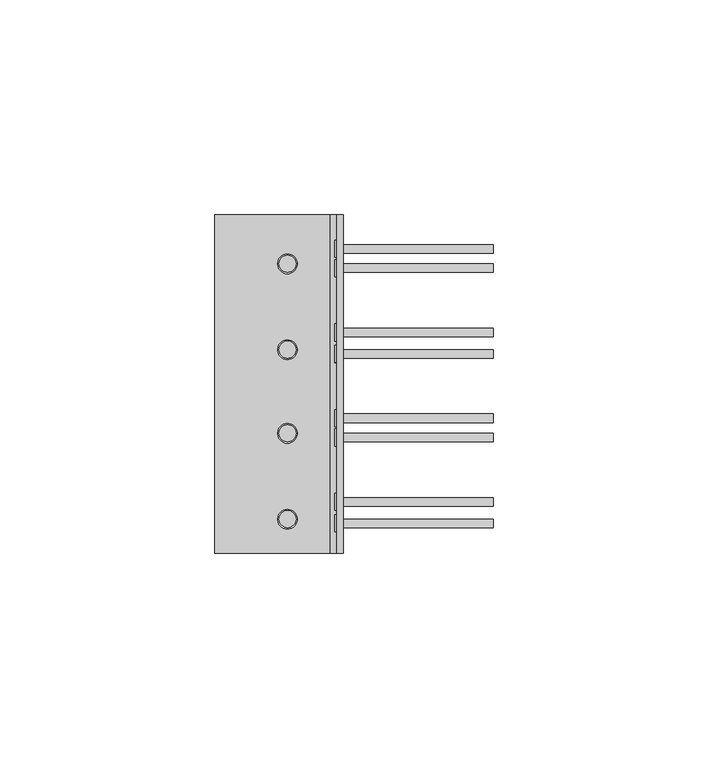
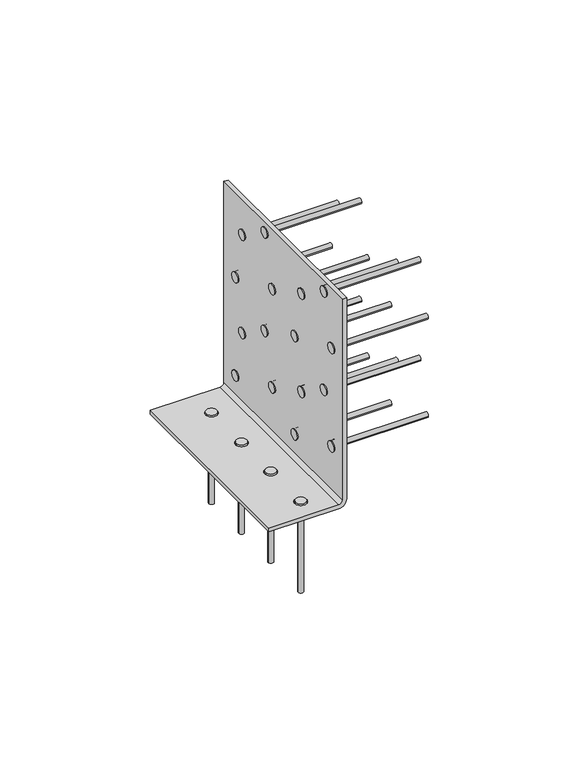
"""IFC4 building model written with IfcOpenShell, lengths in millimetres: proxy geometry."""

from ifc_helpers import new_model, si_unit, point, frame, frame_2d, origin, place, context, project, spatial, polyline, circle_curve, trimmed, segment, composite_curve, outline, extrude, source, transform, mapped, element, save
from ifc_brep_helpers import plane_surface, cylinder_surface, revolved_surface, advanced_brep


def generic_models_19bc1938(model_context):
    return source(origin(), model_context, "Body", "SolidModel", [
        advanced_brep(
        [(0.0, 79.0, 84.6986728), (0.0, 79.0, 3.0), (-3.0, 79.0, 0.0), (-30.0, 79.0, 0.0), (-30.0, 79.0, 1.55), (-3.0, 79.0, 1.55), (-1.55, 79.0, 3.0), (-1.55, 79.0, 84.6986728), (0.0, 0.0, 84.6986728), (-1.55, 0.0, 84.6986728), (-1.55, 0.0, 3.0), (-3.0, 0.0, 1.55), (-30.0, 0.0, 1.55), (-30.0, 0.0, 0.0), (-3.0, 0.0, 0.0), (0.0, 0.0, 3.0), (-1.55, 27.0, 72.5986728), (-1.55, 27.0, 68.7986728), (-1.55, 12.0, 82.5986728), (-1.55, 12.0, 78.7986728), (-1.55, 7.0, 62.5986728), (-1.55, 7.0, 58.7986728), (-1.55, 31.5, 52.5986728), (-1.55, 31.5, 48.7986728), (-1.55, 12.0, 42.5986728), (-1.55, 12.0, 38.7986728), (-1.55, 27.0, 32.5986728), (-1.55, 27.0, 28.7986728), (-1.55, 31.5, 12.5986728), (-1.55, 31.5, 8.7986728), (-1.55, 7.0, 22.5986728), (-1.55, 7.0, 18.7986728), (-1.55, 66.5, 72.5986728), (-1.55, 66.5, 68.7986728), (-1.55, 51.5, 82.5986728), (-1.55, 51.5, 78.7986728), (-1.55, 46.5, 62.5986728), (-1.55, 46.5, 58.7986728), (-1.55, 71.0, 52.5986728), (-1.55, 71.0, 48.7986728), (-1.55, 51.5, 42.5986728), (-1.55, 51.5, 38.7986728), (-1.55, 66.5, 32.5986728), (-1.55, 66.5, 28.7986728), (-1.55, 71.0, 12.5986728), (-1.55, 71.0, 8.7986728), (-1.55, 46.5, 22.5986728), (-1.55, 46.5, 18.7986728), (-13.0, 30.3, 1.55), (-13.0, 25.7, 1.55), (-13.0, 10.3, 1.55), (-13.0, 5.7, 1.55), (-13.0, 69.8, 1.55), (-13.0, 65.2, 1.55), (-13.0, 49.8, 1.55), (-13.0, 45.2, 1.55), (-13.0, 25.7, 0.0), (-13.0, 30.3, 0.0), (-13.0, 5.7, 0.0), (-13.0, 10.3, 0.0), (-13.0, 65.2, 0.0), (-13.0, 69.8, 0.0), (-13.0, 45.2, 0.0), (-13.0, 49.8, 0.0), (0.0, 27.0, 68.7986728), (0.0, 27.0, 72.5986728), (0.0, 12.0, 78.7986728), (0.0, 12.0, 82.5986728), (0.0, 7.0, 58.7986728), (0.0, 7.0, 62.5986728), (0.0, 31.5, 48.7986728), (0.0, 31.5, 52.5986728), (0.0, 12.0, 38.7986728), (0.0, 12.0, 42.5986728), (0.0, 27.0, 28.7986728), (0.0, 27.0, 32.5986728), (0.0, 31.5, 8.7986728), (0.0, 31.5, 12.5986728), (0.0, 7.0, 18.7986728), (0.0, 7.0, 22.5986728), (0.0, 66.5, 68.7986728), (0.0, 66.5, 72.5986728), (0.0, 51.5, 78.7986728), (0.0, 51.5, 82.5986728), (0.0, 46.5, 58.7986728), (0.0, 46.5, 62.5986728), (0.0, 71.0, 48.7986728), (0.0, 71.0, 52.5986728), (0.0, 51.5, 38.7986728), (0.0, 51.5, 42.5986728), (0.0, 66.5, 28.7986728), (0.0, 66.5, 32.5986728), (0.0, 71.0, 8.7986728), (0.0, 71.0, 12.5986728), (0.0, 46.5, 18.7986728), (0.0, 46.5, 22.5986728)],
        [
            (0, 1),
            (1, 2, circle_curve(frame((-3.0, 79.0, 3.0), z_axis=(0.0, 1.0, 0.0), x_axis=(1.0, 0.0, 0.0)), 3.0)),
            (2, 3),
            (3, 4),
            (4, 5),
            (5, 6, circle_curve(frame((-3.0, 79.0, 3.0), z_axis=(0.0, -1.0, 0.0), x_axis=(1.0, 0.0, 0.0)), 1.45)),
            (6, 7),
            (7, 0),
            (8, 9),
            (9, 10),
            (10, 11, circle_curve(frame((-3.0, 0.0, 3.0), z_axis=(0.0, 1.0, 0.0), x_axis=(1.0, 0.0, 0.0)), 1.45)),
            (11, 12),
            (12, 13),
            (13, 14),
            (14, 15, circle_curve(frame((-3.0, 0.0, 3.0), z_axis=(0.0, -1.0, 0.0), x_axis=(1.0, 0.0, 0.0)), 3.0)),
            (15, 8),
            (7, 9),
            (8, 0),
            (6, 10),
            (16, 17, circle_curve(frame((-1.55, 27.0, 70.6986728), z_axis=(1.0, 0.0, 0.0), x_axis=(0.0, 0.0, -1.0)), 1.9)),
            (17, 16, circle_curve(frame((-1.55, 27.0, 70.6986728), z_axis=(1.0, 0.0, 0.0), x_axis=(0.0, 0.0, -1.0)), 1.9)),
            (18, 19, circle_curve(frame((-1.55, 12.0, 80.6986728), z_axis=(1.0, 0.0, 0.0), x_axis=(0.0, 0.0, -1.0)), 1.9)),
            (19, 18, circle_curve(frame((-1.55, 12.0, 80.6986728), z_axis=(1.0, 0.0, 0.0), x_axis=(0.0, 0.0, -1.0)), 1.9)),
            (20, 21, circle_curve(frame((-1.55, 7.0, 60.6986728), z_axis=(1.0, 0.0, 0.0), x_axis=(0.0, 0.0, -1.0)), 1.9)),
            (21, 20, circle_curve(frame((-1.55, 7.0, 60.6986728), z_axis=(1.0, 0.0, 0.0), x_axis=(0.0, 0.0, -1.0)), 1.9)),
            (22, 23, circle_curve(frame((-1.55, 31.5, 50.6986728), z_axis=(1.0, 0.0, 0.0), x_axis=(0.0, 0.0, -1.0)), 1.9)),
            (23, 22, circle_curve(frame((-1.55, 31.5, 50.6986728), z_axis=(1.0, 0.0, 0.0), x_axis=(0.0, 0.0, -1.0)), 1.9)),
            (24, 25, circle_curve(frame((-1.55, 12.0, 40.6986728), z_axis=(1.0, 0.0, 0.0), x_axis=(0.0, 0.0, -1.0)), 1.9)),
            (25, 24, circle_curve(frame((-1.55, 12.0, 40.6986728), z_axis=(1.0, 0.0, 0.0), x_axis=(0.0, 0.0, -1.0)), 1.9)),
            (26, 27, circle_curve(frame((-1.55, 27.0, 30.6986728), z_axis=(1.0, 0.0, 0.0), x_axis=(0.0, 0.0, -1.0)), 1.9)),
            (27, 26, circle_curve(frame((-1.55, 27.0, 30.6986728), z_axis=(1.0, 0.0, 0.0), x_axis=(0.0, 0.0, -1.0)), 1.9)),
            (28, 29, circle_curve(frame((-1.55, 31.5, 10.6986728), z_axis=(1.0, 0.0, 0.0), x_axis=(0.0, 0.0, -1.0)), 1.9)),
            (29, 28, circle_curve(frame((-1.55, 31.5, 10.6986728), z_axis=(1.0, 0.0, 0.0), x_axis=(0.0, 0.0, -1.0)), 1.9)),
            (30, 31, circle_curve(frame((-1.55, 7.0, 20.6986728), z_axis=(1.0, 0.0, 0.0), x_axis=(0.0, 0.0, -1.0)), 1.9)),
            (31, 30, circle_curve(frame((-1.55, 7.0, 20.6986728), z_axis=(1.0, 0.0, 0.0), x_axis=(0.0, 0.0, -1.0)), 1.9)),
            (32, 33, circle_curve(frame((-1.55, 66.5, 70.6986728), z_axis=(1.0, 0.0, 0.0), x_axis=(0.0, 0.0, -1.0)), 1.9)),
            (33, 32, circle_curve(frame((-1.55, 66.5, 70.6986728), z_axis=(1.0, 0.0, 0.0), x_axis=(0.0, 0.0, -1.0)), 1.9)),
            (34, 35, circle_curve(frame((-1.55, 51.5, 80.6986728), z_axis=(1.0, 0.0, 0.0), x_axis=(0.0, 0.0, -1.0)), 1.9)),
            (35, 34, circle_curve(frame((-1.55, 51.5, 80.6986728), z_axis=(1.0, 0.0, 0.0), x_axis=(0.0, 0.0, -1.0)), 1.9)),
            (36, 37, circle_curve(frame((-1.55, 46.5, 60.6986728), z_axis=(1.0, 0.0, 0.0), x_axis=(0.0, 0.0, -1.0)), 1.9)),
            (37, 36, circle_curve(frame((-1.55, 46.5, 60.6986728), z_axis=(1.0, 0.0, 0.0), x_axis=(0.0, 0.0, -1.0)), 1.9)),
            (38, 39, circle_curve(frame((-1.55, 71.0, 50.6986728), z_axis=(1.0, 0.0, 0.0), x_axis=(0.0, 0.0, -1.0)), 1.9)),
            (39, 38, circle_curve(frame((-1.55, 71.0, 50.6986728), z_axis=(1.0, 0.0, 0.0), x_axis=(0.0, 0.0, -1.0)), 1.9)),
            (40, 41, circle_curve(frame((-1.55, 51.5, 40.6986728), z_axis=(1.0, 0.0, 0.0), x_axis=(0.0, 0.0, -1.0)), 1.9)),
            (41, 40, circle_curve(frame((-1.55, 51.5, 40.6986728), z_axis=(1.0, 0.0, 0.0), x_axis=(0.0, 0.0, -1.0)), 1.9)),
            (42, 43, circle_curve(frame((-1.55, 66.5, 30.6986728), z_axis=(1.0, 0.0, 0.0), x_axis=(0.0, 0.0, -1.0)), 1.9)),
            (43, 42, circle_curve(frame((-1.55, 66.5, 30.6986728), z_axis=(1.0, 0.0, 0.0), x_axis=(0.0, 0.0, -1.0)), 1.9)),
            (44, 45, circle_curve(frame((-1.55, 71.0, 10.6986728), z_axis=(1.0, 0.0, 0.0), x_axis=(0.0, 0.0, -1.0)), 1.9)),
            (45, 44, circle_curve(frame((-1.55, 71.0, 10.6986728), z_axis=(1.0, 0.0, 0.0), x_axis=(0.0, 0.0, -1.0)), 1.9)),
            (46, 47, circle_curve(frame((-1.55, 46.5, 20.6986728), z_axis=(1.0, 0.0, 0.0), x_axis=(0.0, 0.0, -1.0)), 1.9)),
            (47, 46, circle_curve(frame((-1.55, 46.5, 20.6986728), z_axis=(1.0, 0.0, 0.0), x_axis=(0.0, 0.0, -1.0)), 1.9)),
            (5, 11),
            (4, 12),
            (48, 49, circle_curve(frame((-13.0, 28.0, 1.55), z_axis=(0.0, 0.0, -1.0), x_axis=(0.0, -1.0, 0.0)), 2.3)),
            (49, 48, circle_curve(frame((-13.0, 28.0, 1.55), z_axis=(0.0, 0.0, -1.0), x_axis=(0.0, -1.0, 0.0)), 2.3)),
            (50, 51, circle_curve(frame((-13.0, 8.0, 1.55), z_axis=(0.0, 0.0, -1.0), x_axis=(0.0, -1.0, 0.0)), 2.3)),
            (51, 50, circle_curve(frame((-13.0, 8.0, 1.55), z_axis=(0.0, 0.0, -1.0), x_axis=(0.0, -1.0, 0.0)), 2.3)),
            (52, 53, circle_curve(frame((-13.0, 67.5, 1.55), z_axis=(0.0, 0.0, -1.0), x_axis=(0.0, -1.0, 0.0)), 2.3)),
            (53, 52, circle_curve(frame((-13.0, 67.5, 1.55), z_axis=(0.0, 0.0, -1.0), x_axis=(0.0, -1.0, 0.0)), 2.3)),
            (54, 55, circle_curve(frame((-13.0, 47.5, 1.55), z_axis=(0.0, 0.0, -1.0), x_axis=(0.0, -1.0, 0.0)), 2.3)),
            (55, 54, circle_curve(frame((-13.0, 47.5, 1.55), z_axis=(0.0, 0.0, -1.0), x_axis=(0.0, -1.0, 0.0)), 2.3)),
            (3, 13),
            (2, 14),
            (56, 57, circle_curve(frame((-13.0, 28.0, 0.0), z_axis=(0.0, 0.0, 1.0), x_axis=(0.0, -1.0, 0.0)), 2.3)),
            (57, 56, circle_curve(frame((-13.0, 28.0, 0.0), z_axis=(0.0, 0.0, 1.0), x_axis=(0.0, -1.0, 0.0)), 2.3)),
            (58, 59, circle_curve(frame((-13.0, 8.0, 0.0), z_axis=(0.0, 0.0, 1.0), x_axis=(0.0, -1.0, 0.0)), 2.3)),
            (59, 58, circle_curve(frame((-13.0, 8.0, 0.0), z_axis=(0.0, 0.0, 1.0), x_axis=(0.0, -1.0, 0.0)), 2.3)),
            (60, 61, circle_curve(frame((-13.0, 67.5, 0.0), z_axis=(0.0, 0.0, 1.0), x_axis=(0.0, -1.0, 0.0)), 2.3)),
            (61, 60, circle_curve(frame((-13.0, 67.5, 0.0), z_axis=(0.0, 0.0, 1.0), x_axis=(0.0, -1.0, 0.0)), 2.3)),
            (62, 63, circle_curve(frame((-13.0, 47.5, 0.0), z_axis=(0.0, 0.0, 1.0), x_axis=(0.0, -1.0, 0.0)), 2.3)),
            (63, 62, circle_curve(frame((-13.0, 47.5, 0.0), z_axis=(0.0, 0.0, 1.0), x_axis=(0.0, -1.0, 0.0)), 2.3)),
            (1, 15),
            (64, 65, circle_curve(frame((0.0, 27.0, 70.6986728), z_axis=(-1.0, 0.0, 0.0), x_axis=(0.0, 0.0, -1.0)), 1.9)),
            (65, 64, circle_curve(frame((0.0, 27.0, 70.6986728), z_axis=(-1.0, 0.0, 0.0), x_axis=(0.0, 0.0, -1.0)), 1.9)),
            (66, 67, circle_curve(frame((0.0, 12.0, 80.6986728), z_axis=(-1.0, 0.0, 0.0), x_axis=(0.0, 0.0, -1.0)), 1.9)),
            (67, 66, circle_curve(frame((0.0, 12.0, 80.6986728), z_axis=(-1.0, 0.0, 0.0), x_axis=(0.0, 0.0, -1.0)), 1.9)),
            (68, 69, circle_curve(frame((0.0, 7.0, 60.6986728), z_axis=(-1.0, 0.0, 0.0), x_axis=(0.0, 0.0, -1.0)), 1.9)),
            (69, 68, circle_curve(frame((0.0, 7.0, 60.6986728), z_axis=(-1.0, 0.0, 0.0), x_axis=(0.0, 0.0, -1.0)), 1.9)),
            (70, 71, circle_curve(frame((0.0, 31.5, 50.6986728), z_axis=(-1.0, 0.0, 0.0), x_axis=(0.0, 0.0, -1.0)), 1.9)),
            (71, 70, circle_curve(frame((0.0, 31.5, 50.6986728), z_axis=(-1.0, 0.0, 0.0), x_axis=(0.0, 0.0, -1.0)), 1.9)),
            (72, 73, circle_curve(frame((0.0, 12.0, 40.6986728), z_axis=(-1.0, 0.0, 0.0), x_axis=(0.0, 0.0, -1.0)), 1.9)),
            (73, 72, circle_curve(frame((0.0, 12.0, 40.6986728), z_axis=(-1.0, 0.0, 0.0), x_axis=(0.0, 0.0, -1.0)), 1.9)),
            (74, 75, circle_curve(frame((0.0, 27.0, 30.6986728), z_axis=(-1.0, 0.0, 0.0), x_axis=(0.0, 0.0, -1.0)), 1.9)),
            (75, 74, circle_curve(frame((0.0, 27.0, 30.6986728), z_axis=(-1.0, 0.0, 0.0), x_axis=(0.0, 0.0, -1.0)), 1.9)),
            (76, 77, circle_curve(frame((0.0, 31.5, 10.6986728), z_axis=(-1.0, 0.0, 0.0), x_axis=(0.0, 0.0, -1.0)), 1.9)),
            (77, 76, circle_curve(frame((0.0, 31.5, 10.6986728), z_axis=(-1.0, 0.0, 0.0), x_axis=(0.0, 0.0, -1.0)), 1.9)),
            (78, 79, circle_curve(frame((0.0, 7.0, 20.6986728), z_axis=(-1.0, 0.0, 0.0), x_axis=(0.0, 0.0, -1.0)), 1.9)),
            (79, 78, circle_curve(frame((0.0, 7.0, 20.6986728), z_axis=(-1.0, 0.0, 0.0), x_axis=(0.0, 0.0, -1.0)), 1.9)),
            (80, 81, circle_curve(frame((0.0, 66.5, 70.6986728), z_axis=(-1.0, 0.0, 0.0), x_axis=(0.0, 0.0, -1.0)), 1.9)),
            (81, 80, circle_curve(frame((0.0, 66.5, 70.6986728), z_axis=(-1.0, 0.0, 0.0), x_axis=(0.0, 0.0, -1.0)), 1.9)),
            (82, 83, circle_curve(frame((0.0, 51.5, 80.6986728), z_axis=(-1.0, 0.0, 0.0), x_axis=(0.0, 0.0, -1.0)), 1.9)),
            (83, 82, circle_curve(frame((0.0, 51.5, 80.6986728), z_axis=(-1.0, 0.0, 0.0), x_axis=(0.0, 0.0, -1.0)), 1.9)),
            (84, 85, circle_curve(frame((0.0, 46.5, 60.6986728), z_axis=(-1.0, 0.0, 0.0), x_axis=(0.0, 0.0, -1.0)), 1.9)),
            (85, 84, circle_curve(frame((0.0, 46.5, 60.6986728), z_axis=(-1.0, 0.0, 0.0), x_axis=(0.0, 0.0, -1.0)), 1.9)),
            (86, 87, circle_curve(frame((0.0, 71.0, 50.6986728), z_axis=(-1.0, 0.0, 0.0), x_axis=(0.0, 0.0, -1.0)), 1.9)),
            (87, 86, circle_curve(frame((0.0, 71.0, 50.6986728), z_axis=(-1.0, 0.0, 0.0), x_axis=(0.0, 0.0, -1.0)), 1.9)),
            (88, 89, circle_curve(frame((0.0, 51.5, 40.6986728), z_axis=(-1.0, 0.0, 0.0), x_axis=(0.0, 0.0, -1.0)), 1.9)),
            (89, 88, circle_curve(frame((0.0, 51.5, 40.6986728), z_axis=(-1.0, 0.0, 0.0), x_axis=(0.0, 0.0, -1.0)), 1.9)),
            (90, 91, circle_curve(frame((0.0, 66.5, 30.6986728), z_axis=(-1.0, 0.0, 0.0), x_axis=(0.0, 0.0, -1.0)), 1.9)),
            (91, 90, circle_curve(frame((0.0, 66.5, 30.6986728), z_axis=(-1.0, 0.0, 0.0), x_axis=(0.0, 0.0, -1.0)), 1.9)),
            (92, 93, circle_curve(frame((0.0, 71.0, 10.6986728), z_axis=(-1.0, 0.0, 0.0), x_axis=(0.0, 0.0, -1.0)), 1.9)),
            (93, 92, circle_curve(frame((0.0, 71.0, 10.6986728), z_axis=(-1.0, 0.0, 0.0), x_axis=(0.0, 0.0, -1.0)), 1.9)),
            (94, 95, circle_curve(frame((0.0, 46.5, 20.6986728), z_axis=(-1.0, 0.0, 0.0), x_axis=(0.0, 0.0, -1.0)), 1.9)),
            (95, 94, circle_curve(frame((0.0, 46.5, 20.6986728), z_axis=(-1.0, 0.0, 0.0), x_axis=(0.0, 0.0, -1.0)), 1.9)),
            (17, 64),
            (65, 16),
            (19, 66),
            (67, 18),
            (21, 68),
            (69, 20),
            (23, 70),
            (71, 22),
            (25, 72),
            (73, 24),
            (27, 74),
            (75, 26),
            (29, 76),
            (77, 28),
            (31, 78),
            (79, 30),
            (49, 56),
            (57, 48),
            (51, 58),
            (59, 50),
            (33, 80),
            (81, 32),
            (35, 82),
            (83, 34),
            (37, 84),
            (85, 36),
            (39, 86),
            (87, 38),
            (41, 88),
            (89, 40),
            (43, 90),
            (91, 42),
            (45, 92),
            (93, 44),
            (47, 94),
            (95, 46),
            (53, 60),
            (61, 52),
            (55, 62),
            (63, 54),
        ],
        [
            plane_surface(frame((-1.55, 79.0, 84.6986728), z_axis=(0.0, 1.0, 0.0), x_axis=(-1.0, 0.0, 0.0))),
            plane_surface(frame((-1.55, 0.0, 84.6986728), z_axis=(0.0, -1.0, 0.0), x_axis=(1.0, 0.0, 0.0))),
            plane_surface(frame((0.0, 79.0, 84.6986728), z_axis=(0.0, 0.0, 1.0), x_axis=(0.0, -1.0, 0.0))),
            plane_surface(frame((-1.55, 79.0, 84.6986728), z_axis=(-1.0, 0.0, 0.0), x_axis=(0.0, -1.0, 0.0))),
            revolved_surface(polyline([(-1.55, 0.0, 3.0), (-1.55, 79.0, 3.0)]), (-3.0, 0.0, 3.0), (0.0, -1.0, 0.0)),
            plane_surface(frame((-3.0, 79.0, 1.55), z_axis=(0.0, 0.0, 1.0), x_axis=(0.0, -1.0, 0.0))),
            plane_surface(frame((-30.0, 79.0, 1.55), z_axis=(-1.0, 0.0, 0.0), x_axis=(0.0, -1.0, 0.0))),
            plane_surface(frame((-30.0, 79.0, 0.0), z_axis=(0.0, 0.0, -1.0), x_axis=(0.0, -1.0, 0.0))),
            cylinder_surface(frame((-3.0, 0.0, 3.0), z_axis=(0.0, 1.0, 0.0), x_axis=(1.0, 0.0, 0.0)), 3.0),
            plane_surface(frame((0.0, 79.0, 3.0), z_axis=(1.0, 0.0, 0.0), x_axis=(0.0, -1.0, 0.0))),
            revolved_surface(polyline([(0.0, 27.0, 68.79867279999999), (-1.5499999999999998, 27.0, 68.79867279999999)]), (-6.55, 27.0, 70.6986728), (1.0, 0.0, 0.0)),
            revolved_surface(polyline([(0.0, 12.0, 78.79867279999999), (-1.55, 12.0, 78.79867279999999)]), (-1.55, 12.0, 80.6986728), (1.0, 0.0, 0.0)),
            revolved_surface(polyline([(0.0, 7.0, 58.7986728), (-1.55, 7.0, 58.7986728)]), (-1.55, 7.0, 60.6986728), (1.0, 0.0, 0.0)),
            revolved_surface(polyline([(0.0, 31.5, 48.7986728), (-1.55, 31.5, 48.7986728)]), (-1.55, 31.5, 50.6986728), (1.0, 0.0, 0.0)),
            revolved_surface(polyline([(0.0, 12.0, 38.7986728), (-1.55, 12.0, 38.7986728)]), (-1.55, 12.0, 40.6986728), (1.0, 0.0, 0.0)),
            revolved_surface(polyline([(0.0, 27.0, 28.798672800000002), (-1.55, 27.0, 28.798672800000002)]), (-1.55, 27.0, 30.6986728), (1.0, 0.0, 0.0)),
            revolved_surface(polyline([(0.0, 31.5, 8.7986728), (-1.55, 31.5, 8.7986728)]), (-1.55, 31.5, 10.6986728), (1.0, 0.0, 0.0)),
            revolved_surface(polyline([(0.0, 7.0, 18.798672800000002), (-1.55, 7.0, 18.798672800000002)]), (-1.55, 7.0, 20.6986728), (1.0, 0.0, 0.0)),
            revolved_surface(polyline([(-13.0, 25.7, 0.0), (-13.0, 25.7, 1.5499999999999998)]), (-13.0, 28.0, 6.55), (0.0, 0.0, -1.0)),
            revolved_surface(polyline([(-13.0, 5.7, 0.0), (-13.0, 5.7, 1.55)]), (-13.0, 8.0, 1.55), (0.0, 0.0, -1.0)),
            revolved_surface(polyline([(0.0, 66.5, 68.79867279999999), (-1.55, 66.5, 68.79867279999999)]), (-1.55, 66.5, 70.6986728), (1.0, 0.0, 0.0)),
            revolved_surface(polyline([(0.0, 51.5, 78.79867279999999), (-1.55, 51.5, 78.79867279999999)]), (-1.55, 51.5, 80.6986728), (1.0, 0.0, 0.0)),
            revolved_surface(polyline([(0.0, 46.5, 58.7986728), (-1.55, 46.5, 58.7986728)]), (-1.55, 46.5, 60.6986728), (1.0, 0.0, 0.0)),
            revolved_surface(polyline([(0.0, 71.0, 48.7986728), (-1.55, 71.0, 48.7986728)]), (-1.55, 71.0, 50.6986728), (1.0, 0.0, 0.0)),
            revolved_surface(polyline([(0.0, 51.5, 38.7986728), (-1.55, 51.5, 38.7986728)]), (-1.55, 51.5, 40.6986728), (1.0, 0.0, 0.0)),
            revolved_surface(polyline([(0.0, 66.5, 28.798672800000002), (-1.55, 66.5, 28.798672800000002)]), (-1.55, 66.5, 30.6986728), (1.0, 0.0, 0.0)),
            revolved_surface(polyline([(0.0, 71.0, 8.7986728), (-1.55, 71.0, 8.7986728)]), (-1.55, 71.0, 10.6986728), (1.0, 0.0, 0.0)),
            revolved_surface(polyline([(0.0, 46.5, 18.798672800000002), (-1.55, 46.5, 18.798672800000002)]), (-1.55, 46.5, 20.6986728), (1.0, 0.0, 0.0)),
            revolved_surface(polyline([(-13.0, 65.2, 0.0), (-13.0, 65.2, 1.55)]), (-13.0, 67.5, 1.55), (0.0, 0.0, -1.0)),
            revolved_surface(polyline([(-13.0, 45.2, 0.0), (-13.0, 45.2, 1.55)]), (-13.0, 47.5, 1.55), (0.0, 0.0, -1.0)),
        ],
        [
            (0, [[1, 2, 3, 4, 5, 6, 7, 8]]),
            (1, [[9, 10, 11, 12, 13, 14, 15, 16]]),
            (2, [[17, -9, 18, -8]]),
            (3, [[19, -10, -17, -7], [20, 21], [22, 23], [24, 25], [26, 27], [28, 29], [30, 31], [32, 33], [34, 35], [36, 37], [38, 39], [40, 41], [42, 43], [44, 45], [46, 47], [48, 49], [50, 51]]),
            (4, [[52, -11, -19, -6]]),
            (5, [[53, -12, -52, -5], [54, 55], [56, 57], [58, 59], [60, 61]]),
            (6, [[62, -13, -53, -4]]),
            (7, [[63, -14, -62, -3], [64, 65], [66, 67], [68, 69], [70, 71]]),
            (8, [[72, -15, -63, -2]]),
            (9, [[-18, -16, -72, -1], [73, 74], [75, 76], [77, 78], [79, 80], [81, 82], [83, 84], [85, 86], [87, 88], [89, 90], [91, 92], [93, 94], [95, 96], [97, 98], [99, 100], [101, 102], [103, 104]]),
            (10, [[-21, 105, -74, 106]]),
            (10, [[-73, -105, -20, -106]]),
            (11, [[-23, 107, -76, 108]]),
            (11, [[-75, -107, -22, -108]]),
            (12, [[-25, 109, -78, 110]]),
            (12, [[-77, -109, -24, -110]]),
            (13, [[-27, 111, -80, 112]]),
            (13, [[-79, -111, -26, -112]]),
            (14, [[-29, 113, -82, 114]]),
            (14, [[-81, -113, -28, -114]]),
            (15, [[-31, 115, -84, 116]]),
            (15, [[-83, -115, -30, -116]]),
            (16, [[-33, 117, -86, 118]]),
            (16, [[-85, -117, -32, -118]]),
            (17, [[-35, 119, -88, 120]]),
            (17, [[-87, -119, -34, -120]]),
            (18, [[-55, 121, -65, 122]]),
            (18, [[-64, -121, -54, -122]]),
            (19, [[-57, 123, -67, 124]]),
            (19, [[-66, -123, -56, -124]]),
            (20, [[-37, 125, -90, 126]]),
            (20, [[-89, -125, -36, -126]]),
            (21, [[-39, 127, -92, 128]]),
            (21, [[-91, -127, -38, -128]]),
            (22, [[-41, 129, -94, 130]]),
            (22, [[-93, -129, -40, -130]]),
            (23, [[-43, 131, -96, 132]]),
            (23, [[-95, -131, -42, -132]]),
            (24, [[-45, 133, -98, 134]]),
            (24, [[-97, -133, -44, -134]]),
            (25, [[-47, 135, -100, 136]]),
            (25, [[-99, -135, -46, -136]]),
            (26, [[-49, 137, -102, 138]]),
            (26, [[-101, -137, -48, -138]]),
            (27, [[-51, 139, -104, 140]]),
            (27, [[-103, -139, -50, -140]]),
            (28, [[-59, 141, -69, 142]]),
            (28, [[-68, -141, -58, -142]]),
            (29, [[-61, 143, -71, 144]]),
            (29, [[-70, -143, -60, -144]]),
        ],
    ),
        extrude(outline(composite_curve([segment(trimmed(circle_curve(frame_2d((-12.9911965, 8.0208754)), 1.0), [point((-13.9911965, 8.0208754))], [point((-11.9911965, 8.0208754))], False, "CARTESIAN"), True, "CONTINUOUS"), segment(trimmed(circle_curve(frame_2d((-12.9911965, 8.0208754)), 1.0), [point((-11.9911965, 8.0208754))], [point((-13.9911965, 8.0208754))], False, "CARTESIAN"), True, "CONTINUOUS")], self_intersect=False)), frame((0.0, 0.0, -35.0), z_axis=(0.0, 0.0, 1.0), x_axis=(1.0, 0.0, 0.0)), (0.0, 0.0, 1.0), 36.0),
        extrude(outline(composite_curve([segment(trimmed(circle_curve(frame_2d((-12.9911965, 28.0208754)), 1.0), [point((-13.9911965, 28.0208754))], [point((-11.9911965, 28.0208754))], False, "CARTESIAN"), True, "CONTINUOUS"), segment(trimmed(circle_curve(frame_2d((-12.9911965, 28.0208754)), 1.0), [point((-11.9911965, 28.0208754))], [point((-13.9911965, 28.0208754))], False, "CARTESIAN"), True, "CONTINUOUS")], self_intersect=False)), frame((0.0, 0.0, -35.0), z_axis=(0.0, 0.0, 1.0), x_axis=(1.0, 0.0, 0.0)), (0.0, 0.0, 1.0), 36.0),
        extrude(outline(composite_curve([segment(trimmed(circle_curve(frame_2d((-12.9911965, 47.5208754)), 1.0), [point((-13.9911965, 47.5208754))], [point((-11.9911965, 47.5208754))], False, "CARTESIAN"), True, "CONTINUOUS"), segment(trimmed(circle_curve(frame_2d((-12.9911965, 47.5208754)), 1.0), [point((-11.9911965, 47.5208754))], [point((-13.9911965, 47.5208754))], False, "CARTESIAN"), True, "CONTINUOUS")], self_intersect=False)), frame((0.0, 0.0, -35.0), z_axis=(0.0, 0.0, 1.0), x_axis=(1.0, 0.0, 0.0)), (0.0, 0.0, 1.0), 36.0),
        extrude(outline(composite_curve([segment(trimmed(circle_curve(frame_2d((-12.9911965, 67.5208754)), 1.0), [point((-13.9911965, 67.5208754))], [point((-11.9911965, 67.5208754))], False, "CARTESIAN"), True, "CONTINUOUS"), segment(trimmed(circle_curve(frame_2d((-12.9911965, 67.5208754)), 1.0), [point((-11.9911965, 67.5208754))], [point((-13.9911965, 67.5208754))], False, "CARTESIAN"), True, "CONTINUOUS")], self_intersect=False)), frame((0.0, 0.0, -35.0), z_axis=(0.0, 0.0, 1.0), x_axis=(1.0, 0.0, 0.0)), (0.0, 0.0, 1.0), 36.0),
        extrude(outline(composite_curve([segment(trimmed(circle_curve(frame_2d((-12.9911965, 8.0208754)), 2.0), [point((-14.9911965, 8.0208754))], [point((-10.9911965, 8.0208754))], False, "CARTESIAN"), True, "CONTINUOUS"), segment(trimmed(circle_curve(frame_2d((-12.9911965, 8.0208754)), 2.0), [point((-10.9911965, 8.0208754))], [point((-14.9911965, 8.0208754))], False, "CARTESIAN"), True, "CONTINUOUS")], self_intersect=False)), frame((0.0, 0.0, 1.0), z_axis=(0.0, 0.0, 1.0), x_axis=(1.0, 0.0, 0.0)), (0.0, 0.0, 1.0), 1.0),
        extrude(outline(composite_curve([segment(trimmed(circle_curve(frame_2d((-12.9911965, 28.0208754)), 2.0), [point((-14.9911965, 28.0208754))], [point((-10.9911965, 28.0208754))], False, "CARTESIAN"), True, "CONTINUOUS"), segment(trimmed(circle_curve(frame_2d((-12.9911965, 28.0208754)), 2.0), [point((-10.9911965, 28.0208754))], [point((-14.9911965, 28.0208754))], False, "CARTESIAN"), True, "CONTINUOUS")], self_intersect=False)), frame((0.0, 0.0, 1.0), z_axis=(0.0, 0.0, 1.0), x_axis=(1.0, 0.0, 0.0)), (0.0, 0.0, 1.0), 1.0),
        extrude(outline(composite_curve([segment(trimmed(circle_curve(frame_2d((-12.9911965, 47.5208754)), 2.0), [point((-14.9911965, 47.5208754))], [point((-10.9911965, 47.5208754))], False, "CARTESIAN"), True, "CONTINUOUS"), segment(trimmed(circle_curve(frame_2d((-12.9911965, 47.5208754)), 2.0), [point((-10.9911965, 47.5208754))], [point((-14.9911965, 47.5208754))], False, "CARTESIAN"), True, "CONTINUOUS")], self_intersect=False)), frame((0.0, 0.0, 1.0), z_axis=(0.0, 0.0, 1.0), x_axis=(1.0, 0.0, 0.0)), (0.0, 0.0, 1.0), 1.0),
        extrude(outline(composite_curve([segment(trimmed(circle_curve(frame_2d((-12.9911965, 67.5208754)), 2.0), [point((-14.9911965, 67.5208754))], [point((-10.9911965, 67.5208754))], False, "CARTESIAN"), True, "CONTINUOUS"), segment(trimmed(circle_curve(frame_2d((-12.9911965, 67.5208754)), 2.0), [point((-10.9911965, 67.5208754))], [point((-14.9911965, 67.5208754))], False, "CARTESIAN"), True, "CONTINUOUS")], self_intersect=False)), frame((0.0, 0.0, 1.0), z_axis=(0.0, 0.0, 1.0), x_axis=(1.0, 0.0, 0.0)), (0.0, 0.0, 1.0), 1.0),
        extrude(outline(composite_curve([segment(trimmed(circle_curve(frame_2d((27.0112781, 70.7052665)), 2.0), [point((25.0112781, 70.7052665))], [point((29.0112781, 70.7052665))], False, "CARTESIAN"), True, "CONTINUOUS"), segment(trimmed(circle_curve(frame_2d((27.0112781, 70.7052665)), 2.0), [point((29.0112781, 70.7052665))], [point((25.0112781, 70.7052665))], False, "CARTESIAN"), True, "CONTINUOUS")], self_intersect=False)), frame((-2.0, 0.0, 0.0), z_axis=(1.0, 0.0, 0.0), x_axis=(0.0, 1.0, 0.0)), (0.0, 0.0, 1.0), 1.0),
        extrude(outline(composite_curve([segment(trimmed(circle_curve(frame_2d((12.0112781, 80.7052665)), 2.0), [point((10.0112781, 80.7052665))], [point((14.0112781, 80.7052665))], False, "CARTESIAN"), True, "CONTINUOUS"), segment(trimmed(circle_curve(frame_2d((12.0112781, 80.7052665)), 2.0), [point((14.0112781, 80.7052665))], [point((10.0112781, 80.7052665))], False, "CARTESIAN"), True, "CONTINUOUS")], self_intersect=False)), frame((-2.0, 0.0, 0.0), z_axis=(1.0, 0.0, 0.0), x_axis=(0.0, 1.0, 0.0)), (0.0, 0.0, 1.0), 1.0),
        extrude(outline(composite_curve([segment(trimmed(circle_curve(frame_2d((7.0112781, 60.7052665)), 2.0), [point((5.0112781, 60.7052665))], [point((9.0112781, 60.7052665))], False, "CARTESIAN"), True, "CONTINUOUS"), segment(trimmed(circle_curve(frame_2d((7.0112781, 60.7052665)), 2.0), [point((9.0112781, 60.7052665))], [point((5.0112781, 60.7052665))], False, "CARTESIAN"), True, "CONTINUOUS")], self_intersect=False)), frame((-2.0, 0.0, 0.0), z_axis=(1.0, 0.0, 0.0), x_axis=(0.0, 1.0, 0.0)), (0.0, 0.0, 1.0), 1.0),
        extrude(outline(composite_curve([segment(trimmed(circle_curve(frame_2d((31.5112781, 50.7052665)), 2.0), [point((29.5112781, 50.7052665))], [point((33.5112781, 50.7052665))], False, "CARTESIAN"), True, "CONTINUOUS"), segment(trimmed(circle_curve(frame_2d((31.5112781, 50.7052665)), 2.0), [point((33.5112781, 50.7052665))], [point((29.5112781, 50.7052665))], False, "CARTESIAN"), True, "CONTINUOUS")], self_intersect=False)), frame((-2.0, 0.0, 0.0), z_axis=(1.0, 0.0, 0.0), x_axis=(0.0, 1.0, 0.0)), (0.0, 0.0, 1.0), 1.0),
        extrude(outline(composite_curve([segment(trimmed(circle_curve(frame_2d((12.0112781, 40.7052665)), 2.0), [point((10.0112781, 40.7052665))], [point((14.0112781, 40.7052665))], False, "CARTESIAN"), True, "CONTINUOUS"), segment(trimmed(circle_curve(frame_2d((12.0112781, 40.7052665)), 2.0), [point((14.0112781, 40.7052665))], [point((10.0112781, 40.7052665))], False, "CARTESIAN"), True, "CONTINUOUS")], self_intersect=False)), frame((-2.0, 0.0, 0.0), z_axis=(1.0, 0.0, 0.0), x_axis=(0.0, 1.0, 0.0)), (0.0, 0.0, 1.0), 1.0),
        extrude(outline(composite_curve([segment(trimmed(circle_curve(frame_2d((27.0112781, 30.7052665)), 2.0), [point((25.0112781, 30.7052665))], [point((29.0112781, 30.7052665))], False, "CARTESIAN"), True, "CONTINUOUS"), segment(trimmed(circle_curve(frame_2d((27.0112781, 30.7052665)), 2.0), [point((29.0112781, 30.7052665))], [point((25.0112781, 30.7052665))], False, "CARTESIAN"), True, "CONTINUOUS")], self_intersect=False)), frame((-2.0, 0.0, 0.0), z_axis=(1.0, 0.0, 0.0), x_axis=(0.0, 1.0, 0.0)), (0.0, 0.0, 1.0), 1.0),
        extrude(outline(composite_curve([segment(trimmed(circle_curve(frame_2d((7.0112781, 20.7052665)), 2.0), [point((5.0112781, 20.7052665))], [point((9.0112781, 20.7052665))], False, "CARTESIAN"), True, "CONTINUOUS"), segment(trimmed(circle_curve(frame_2d((7.0112781, 20.7052665)), 2.0), [point((9.0112781, 20.7052665))], [point((5.0112781, 20.7052665))], False, "CARTESIAN"), True, "CONTINUOUS")], self_intersect=False)), frame((-2.0, 0.0, 0.0), z_axis=(1.0, 0.0, 0.0), x_axis=(0.0, 1.0, 0.0)), (0.0, 0.0, 1.0), 1.0),
        extrude(outline(composite_curve([segment(trimmed(circle_curve(frame_2d((31.5112781, 10.7052665)), 2.0), [point((29.5112781, 10.7052665))], [point((33.5112781, 10.7052665))], False, "CARTESIAN"), True, "CONTINUOUS"), segment(trimmed(circle_curve(frame_2d((31.5112781, 10.7052665)), 2.0), [point((33.5112781, 10.7052665))], [point((29.5112781, 10.7052665))], False, "CARTESIAN"), True, "CONTINUOUS")], self_intersect=False)), frame((-2.0, 0.0, 0.0), z_axis=(1.0, 0.0, 0.0), x_axis=(0.0, 1.0, 0.0)), (0.0, 0.0, 1.0), 1.0),
        extrude(outline(composite_curve([segment(trimmed(circle_curve(frame_2d((66.5112781, 70.7052665)), 2.0), [point((64.5112781, 70.7052665))], [point((68.5112781, 70.7052665))], False, "CARTESIAN"), True, "CONTINUOUS"), segment(trimmed(circle_curve(frame_2d((66.5112781, 70.7052665)), 2.0), [point((68.5112781, 70.7052665))], [point((64.5112781, 70.7052665))], False, "CARTESIAN"), True, "CONTINUOUS")], self_intersect=False)), frame((-2.0, 0.0, 0.0), z_axis=(1.0, 0.0, 0.0), x_axis=(0.0, 1.0, 0.0)), (0.0, 0.0, 1.0), 1.0),
        extrude(outline(composite_curve([segment(trimmed(circle_curve(frame_2d((51.5112781, 80.7052665)), 2.0), [point((49.5112781, 80.7052665))], [point((53.5112781, 80.7052665))], False, "CARTESIAN"), True, "CONTINUOUS"), segment(trimmed(circle_curve(frame_2d((51.5112781, 80.7052665)), 2.0), [point((53.5112781, 80.7052665))], [point((49.5112781, 80.7052665))], False, "CARTESIAN"), True, "CONTINUOUS")], self_intersect=False)), frame((-2.0, 0.0, 0.0), z_axis=(1.0, 0.0, 0.0), x_axis=(0.0, 1.0, 0.0)), (0.0, 0.0, 1.0), 1.0),
        extrude(outline(composite_curve([segment(trimmed(circle_curve(frame_2d((46.5112781, 60.7052665)), 2.0), [point((44.5112781, 60.7052665))], [point((48.5112781, 60.7052665))], False, "CARTESIAN"), True, "CONTINUOUS"), segment(trimmed(circle_curve(frame_2d((46.5112781, 60.7052665)), 2.0), [point((48.5112781, 60.7052665))], [point((44.5112781, 60.7052665))], False, "CARTESIAN"), True, "CONTINUOUS")], self_intersect=False)), frame((-2.0, 0.0, 0.0), z_axis=(1.0, 0.0, 0.0), x_axis=(0.0, 1.0, 0.0)), (0.0, 0.0, 1.0), 1.0),
        extrude(outline(composite_curve([segment(trimmed(circle_curve(frame_2d((71.0112781, 50.7052665)), 2.0), [point((69.0112781, 50.7052665))], [point((73.0112781, 50.7052665))], False, "CARTESIAN"), True, "CONTINUOUS"), segment(trimmed(circle_curve(frame_2d((71.0112781, 50.7052665)), 2.0), [point((73.0112781, 50.7052665))], [point((69.0112781, 50.7052665))], False, "CARTESIAN"), True, "CONTINUOUS")], self_intersect=False)), frame((-2.0, 0.0, 0.0), z_axis=(1.0, 0.0, 0.0), x_axis=(0.0, 1.0, 0.0)), (0.0, 0.0, 1.0), 1.0),
        extrude(outline(composite_curve([segment(trimmed(circle_curve(frame_2d((51.5112781, 40.7052665)), 2.0), [point((49.5112781, 40.7052665))], [point((53.5112781, 40.7052665))], False, "CARTESIAN"), True, "CONTINUOUS"), segment(trimmed(circle_curve(frame_2d((51.5112781, 40.7052665)), 2.0), [point((53.5112781, 40.7052665))], [point((49.5112781, 40.7052665))], False, "CARTESIAN"), True, "CONTINUOUS")], self_intersect=False)), frame((-2.0, 0.0, 0.0), z_axis=(1.0, 0.0, 0.0), x_axis=(0.0, 1.0, 0.0)), (0.0, 0.0, 1.0), 1.0),
        extrude(outline(composite_curve([segment(trimmed(circle_curve(frame_2d((66.5112781, 30.7052665)), 2.0), [point((64.5112781, 30.7052665))], [point((68.5112781, 30.7052665))], False, "CARTESIAN"), True, "CONTINUOUS"), segment(trimmed(circle_curve(frame_2d((66.5112781, 30.7052665)), 2.0), [point((68.5112781, 30.7052665))], [point((64.5112781, 30.7052665))], False, "CARTESIAN"), True, "CONTINUOUS")], self_intersect=False)), frame((-2.0, 0.0, 0.0), z_axis=(1.0, 0.0, 0.0), x_axis=(0.0, 1.0, 0.0)), (0.0, 0.0, 1.0), 1.0),
        extrude(outline(composite_curve([segment(trimmed(circle_curve(frame_2d((46.5112781, 20.7052665)), 2.0), [point((44.5112781, 20.7052665))], [point((48.5112781, 20.7052665))], False, "CARTESIAN"), True, "CONTINUOUS"), segment(trimmed(circle_curve(frame_2d((46.5112781, 20.7052665)), 2.0), [point((48.5112781, 20.7052665))], [point((44.5112781, 20.7052665))], False, "CARTESIAN"), True, "CONTINUOUS")], self_intersect=False)), frame((-2.0, 0.0, 0.0), z_axis=(1.0, 0.0, 0.0), x_axis=(0.0, 1.0, 0.0)), (0.0, 0.0, 1.0), 1.0),
        extrude(outline(composite_curve([segment(trimmed(circle_curve(frame_2d((71.0112781, 10.7052665)), 2.0), [point((69.0112781, 10.7052665))], [point((73.0112781, 10.7052665))], False, "CARTESIAN"), True, "CONTINUOUS"), segment(trimmed(circle_curve(frame_2d((71.0112781, 10.7052665)), 2.0), [point((73.0112781, 10.7052665))], [point((69.0112781, 10.7052665))], False, "CARTESIAN"), True, "CONTINUOUS")], self_intersect=False)), frame((-2.0, 0.0, 0.0), z_axis=(1.0, 0.0, 0.0), x_axis=(0.0, 1.0, 0.0)), (0.0, 0.0, 1.0), 1.0),
        extrude(outline(composite_curve([segment(trimmed(circle_curve(frame_2d((27.0112781, 70.7052665)), 1.0), [point((26.0112781, 70.7052665))], [point((28.0112781, 70.7052665))], False, "CARTESIAN"), True, "CONTINUOUS"), segment(trimmed(circle_curve(frame_2d((27.0112781, 70.7052665)), 1.0), [point((28.0112781, 70.7052665))], [point((26.0112781, 70.7052665))], False, "CARTESIAN"), True, "CONTINUOUS")], self_intersect=False)), frame((-1.0, 0.0, 0.0), z_axis=(1.0, 0.0, 0.0), x_axis=(0.0, 1.0, 0.0)), (0.0, 0.0, 1.0), 36.0),
        extrude(outline(composite_curve([segment(trimmed(circle_curve(frame_2d((12.0112781, 80.7052665)), 1.0), [point((11.0112781, 80.7052665))], [point((13.0112781, 80.7052665))], False, "CARTESIAN"), True, "CONTINUOUS"), segment(trimmed(circle_curve(frame_2d((12.0112781, 80.7052665)), 1.0), [point((13.0112781, 80.7052665))], [point((11.0112781, 80.7052665))], False, "CARTESIAN"), True, "CONTINUOUS")], self_intersect=False)), frame((-1.0, 0.0, 0.0), z_axis=(1.0, 0.0, 0.0), x_axis=(0.0, 1.0, 0.0)), (0.0, 0.0, 1.0), 36.0),
        extrude(outline(composite_curve([segment(trimmed(circle_curve(frame_2d((7.0112781, 60.7052665)), 1.0), [point((6.0112781, 60.7052665))], [point((8.0112781, 60.7052665))], False, "CARTESIAN"), True, "CONTINUOUS"), segment(trimmed(circle_curve(frame_2d((7.0112781, 60.7052665)), 1.0), [point((8.0112781, 60.7052665))], [point((6.0112781, 60.7052665))], False, "CARTESIAN"), True, "CONTINUOUS")], self_intersect=False)), frame((-1.0, 0.0, 0.0), z_axis=(1.0, 0.0, 0.0), x_axis=(0.0, 1.0, 0.0)), (0.0, 0.0, 1.0), 36.0),
        extrude(outline(composite_curve([segment(trimmed(circle_curve(frame_2d((31.5112781, 50.7052665)), 1.0), [point((30.5112781, 50.7052665))], [point((32.5112781, 50.7052665))], False, "CARTESIAN"), True, "CONTINUOUS"), segment(trimmed(circle_curve(frame_2d((31.5112781, 50.7052665)), 1.0), [point((32.5112781, 50.7052665))], [point((30.5112781, 50.7052665))], False, "CARTESIAN"), True, "CONTINUOUS")], self_intersect=False)), frame((-1.0, 0.0, 0.0), z_axis=(1.0, 0.0, 0.0), x_axis=(0.0, 1.0, 0.0)), (0.0, 0.0, 1.0), 36.0),
        extrude(outline(composite_curve([segment(trimmed(circle_curve(frame_2d((12.0112781, 40.7052665)), 1.0), [point((11.0112781, 40.7052665))], [point((13.0112781, 40.7052665))], False, "CARTESIAN"), True, "CONTINUOUS"), segment(trimmed(circle_curve(frame_2d((12.0112781, 40.7052665)), 1.0), [point((13.0112781, 40.7052665))], [point((11.0112781, 40.7052665))], False, "CARTESIAN"), True, "CONTINUOUS")], self_intersect=False)), frame((-1.0, 0.0, 0.0), z_axis=(1.0, 0.0, 0.0), x_axis=(0.0, 1.0, 0.0)), (0.0, 0.0, 1.0), 36.0),
        extrude(outline(composite_curve([segment(trimmed(circle_curve(frame_2d((27.0112781, 30.7052665)), 1.0), [point((26.0112781, 30.7052665))], [point((28.0112781, 30.7052665))], False, "CARTESIAN"), True, "CONTINUOUS"), segment(trimmed(circle_curve(frame_2d((27.0112781, 30.7052665)), 1.0), [point((28.0112781, 30.7052665))], [point((26.0112781, 30.7052665))], False, "CARTESIAN"), True, "CONTINUOUS")], self_intersect=False)), frame((-1.0, 0.0, 0.0), z_axis=(1.0, 0.0, 0.0), x_axis=(0.0, 1.0, 0.0)), (0.0, 0.0, 1.0), 36.0),
        extrude(outline(composite_curve([segment(trimmed(circle_curve(frame_2d((7.0112781, 20.7052665)), 1.0), [point((6.0112781, 20.7052665))], [point((8.0112781, 20.7052665))], False, "CARTESIAN"), True, "CONTINUOUS"), segment(trimmed(circle_curve(frame_2d((7.0112781, 20.7052665)), 1.0), [point((8.0112781, 20.7052665))], [point((6.0112781, 20.7052665))], False, "CARTESIAN"), True, "CONTINUOUS")], self_intersect=False)), frame((-1.0, 0.0, 0.0), z_axis=(1.0, 0.0, 0.0), x_axis=(0.0, 1.0, 0.0)), (0.0, 0.0, 1.0), 36.0),
        extrude(outline(composite_curve([segment(trimmed(circle_curve(frame_2d((31.5112781, 10.7052665)), 1.0), [point((30.5112781, 10.7052665))], [point((32.5112781, 10.7052665))], False, "CARTESIAN"), True, "CONTINUOUS"), segment(trimmed(circle_curve(frame_2d((31.5112781, 10.7052665)), 1.0), [point((32.5112781, 10.7052665))], [point((30.5112781, 10.7052665))], False, "CARTESIAN"), True, "CONTINUOUS")], self_intersect=False)), frame((-1.0, 0.0, 0.0), z_axis=(1.0, 0.0, 0.0), x_axis=(0.0, 1.0, 0.0)), (0.0, 0.0, 1.0), 36.0),
        extrude(outline(composite_curve([segment(trimmed(circle_curve(frame_2d((66.5112781, 70.7052665)), 1.0), [point((65.5112781, 70.7052665))], [point((67.5112781, 70.7052665))], False, "CARTESIAN"), True, "CONTINUOUS"), segment(trimmed(circle_curve(frame_2d((66.5112781, 70.7052665)), 1.0), [point((67.5112781, 70.7052665))], [point((65.5112781, 70.7052665))], False, "CARTESIAN"), True, "CONTINUOUS")], self_intersect=False)), frame((-1.0, 0.0, 0.0), z_axis=(1.0, 0.0, 0.0), x_axis=(0.0, 1.0, 0.0)), (0.0, 0.0, 1.0), 36.0),
        extrude(outline(composite_curve([segment(trimmed(circle_curve(frame_2d((51.5112781, 80.7052665)), 1.0), [point((50.5112781, 80.7052665))], [point((52.5112781, 80.7052665))], False, "CARTESIAN"), True, "CONTINUOUS"), segment(trimmed(circle_curve(frame_2d((51.5112781, 80.7052665)), 1.0), [point((52.5112781, 80.7052665))], [point((50.5112781, 80.7052665))], False, "CARTESIAN"), True, "CONTINUOUS")], self_intersect=False)), frame((-1.0, 0.0, 0.0), z_axis=(1.0, 0.0, 0.0), x_axis=(0.0, 1.0, 0.0)), (0.0, 0.0, 1.0), 36.0),
        extrude(outline(composite_curve([segment(trimmed(circle_curve(frame_2d((46.5112781, 60.7052665)), 1.0), [point((45.5112781, 60.7052665))], [point((47.5112781, 60.7052665))], False, "CARTESIAN"), True, "CONTINUOUS"), segment(trimmed(circle_curve(frame_2d((46.5112781, 60.7052665)), 1.0), [point((47.5112781, 60.7052665))], [point((45.5112781, 60.7052665))], False, "CARTESIAN"), True, "CONTINUOUS")], self_intersect=False)), frame((-1.0, 0.0, 0.0), z_axis=(1.0, 0.0, 0.0), x_axis=(0.0, 1.0, 0.0)), (0.0, 0.0, 1.0), 36.0),
        extrude(outline(composite_curve([segment(trimmed(circle_curve(frame_2d((71.0112781, 50.7052665)), 1.0), [point((70.0112781, 50.7052665))], [point((72.0112781, 50.7052665))], False, "CARTESIAN"), True, "CONTINUOUS"), segment(trimmed(circle_curve(frame_2d((71.0112781, 50.7052665)), 1.0), [point((72.0112781, 50.7052665))], [point((70.0112781, 50.7052665))], False, "CARTESIAN"), True, "CONTINUOUS")], self_intersect=False)), frame((-1.0, 0.0, 0.0), z_axis=(1.0, 0.0, 0.0), x_axis=(0.0, 1.0, 0.0)), (0.0, 0.0, 1.0), 36.0),
        extrude(outline(composite_curve([segment(trimmed(circle_curve(frame_2d((51.5112781, 40.7052665)), 1.0), [point((50.5112781, 40.7052665))], [point((52.5112781, 40.7052665))], False, "CARTESIAN"), True, "CONTINUOUS"), segment(trimmed(circle_curve(frame_2d((51.5112781, 40.7052665)), 1.0), [point((52.5112781, 40.7052665))], [point((50.5112781, 40.7052665))], False, "CARTESIAN"), True, "CONTINUOUS")], self_intersect=False)), frame((-1.0, 0.0, 0.0), z_axis=(1.0, 0.0, 0.0), x_axis=(0.0, 1.0, 0.0)), (0.0, 0.0, 1.0), 36.0),
        extrude(outline(composite_curve([segment(trimmed(circle_curve(frame_2d((66.5112781, 30.7052665)), 1.0), [point((65.5112781, 30.7052665))], [point((67.5112781, 30.7052665))], False, "CARTESIAN"), True, "CONTINUOUS"), segment(trimmed(circle_curve(frame_2d((66.5112781, 30.7052665)), 1.0), [point((67.5112781, 30.7052665))], [point((65.5112781, 30.7052665))], False, "CARTESIAN"), True, "CONTINUOUS")], self_intersect=False)), frame((-1.0, 0.0, 0.0), z_axis=(1.0, 0.0, 0.0), x_axis=(0.0, 1.0, 0.0)), (0.0, 0.0, 1.0), 36.0),
        extrude(outline(composite_curve([segment(trimmed(circle_curve(frame_2d((46.5112781, 20.7052665)), 1.0), [point((45.5112781, 20.7052665))], [point((47.5112781, 20.7052665))], False, "CARTESIAN"), True, "CONTINUOUS"), segment(trimmed(circle_curve(frame_2d((46.5112781, 20.7052665)), 1.0), [point((47.5112781, 20.7052665))], [point((45.5112781, 20.7052665))], False, "CARTESIAN"), True, "CONTINUOUS")], self_intersect=False)), frame((-1.0, 0.0, 0.0), z_axis=(1.0, 0.0, 0.0), x_axis=(0.0, 1.0, 0.0)), (0.0, 0.0, 1.0), 36.0),
        extrude(outline(composite_curve([segment(trimmed(circle_curve(frame_2d((71.0112781, 10.7052665)), 1.0), [point((70.0112781, 10.7052665))], [point((72.0112781, 10.7052665))], False, "CARTESIAN"), True, "CONTINUOUS"), segment(trimmed(circle_curve(frame_2d((71.0112781, 10.7052665)), 1.0), [point((72.0112781, 10.7052665))], [point((70.0112781, 10.7052665))], False, "CARTESIAN"), True, "CONTINUOUS")], self_intersect=False)), frame((-1.0, 0.0, 0.0), z_axis=(1.0, 0.0, 0.0), x_axis=(0.0, 1.0, 0.0)), (0.0, 0.0, 1.0), 36.0),
    ])


if __name__ == "__main__":
    model = new_model("IFC4")
    model_context = context("Model", 3, world=origin())
    ifc_project = project(units=[si_unit("LENGTHUNIT", "METRE", prefix="MILLI")], contexts=[model_context])
    site = spatial("IfcSite", under=ifc_project)
    building = spatial("IfcBuilding", under=site)
    placement = place(None, origin())
    generic_models_shape = generic_models_19bc1938(model_context)
    element("IfcBuildingElementProxy", 1, Name="Generic Models", at=placement, inside=building, context=model_context, shape_type="MappedRepresentation", body=[
        mapped(generic_models_shape, transform((0.0, 0.0, 0.0), x_axis=(1.0, 0.0, 0.0), y_axis=(0.0, 1.0, 0.0), z_axis=(0.0, 0.0, 1.0))),
    ])
    save(model, "model.ifc")
